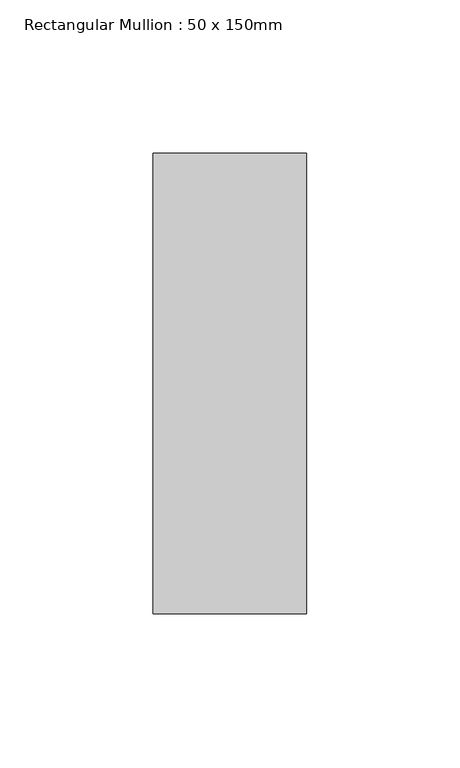
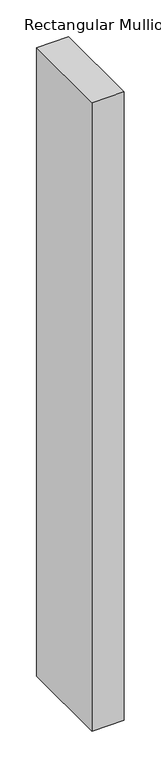
"""IFC4 building model written with IfcOpenShell, lengths in millimetres: member geometry, Rectangular Mullion : 50 x 150mm."""

from ifc_helpers import new_model, si_unit, frame, origin, place, context, project, spatial, polyline, outline, extrude, source, transform, mapped, element, save


def rectangular_mullion_50_x_150mm_2b4dd6d8(model_context):
    return source(origin(), model_context, "Body", "SweptSolid", [
        extrude(outline(polyline([(0.0, 75.0), (0.0, -75.0), (-50.0, -75.0), (-50.0, 75.0), (0.0, 75.0)])), frame((0.0, 0.0, -1038.3333333), z_axis=(0.0, 0.0, 1.0), x_axis=(1.0, 0.0, 0.0)), (0.0, 0.0, 1.0), 1038.3333333),
    ])


if __name__ == "__main__":
    model = new_model("IFC4")
    model_context = context("Model", 3, world=origin())
    ifc_project = project(units=[si_unit("LENGTHUNIT", "METRE", prefix="MILLI")], contexts=[model_context])
    site = spatial("IfcSite", under=ifc_project)
    building = spatial("IfcBuilding", under=site)
    placement = place(None, origin())
    rectangular_mullion_50_x_150mm_shape = rectangular_mullion_50_x_150mm_2b4dd6d8(model_context)
    element("IfcMember", 1, ObjectType="Rectangular Mullion : 50 x 150mm", at=placement, inside=building, context=model_context, shape_type="MappedRepresentation", body=[
        mapped(rectangular_mullion_50_x_150mm_shape, transform((0.0, 0.0, 0.0), x_axis=(1.0, 0.0, 0.0), y_axis=(0.0, 1.0, 0.0), z_axis=(0.0, 0.0, 1.0))),
    ])
    save(model, "model.ifc")
